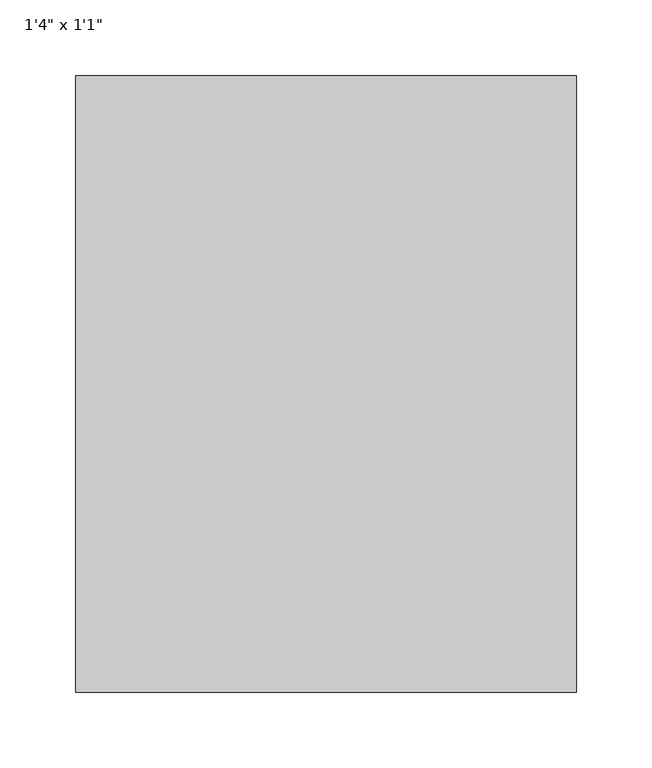
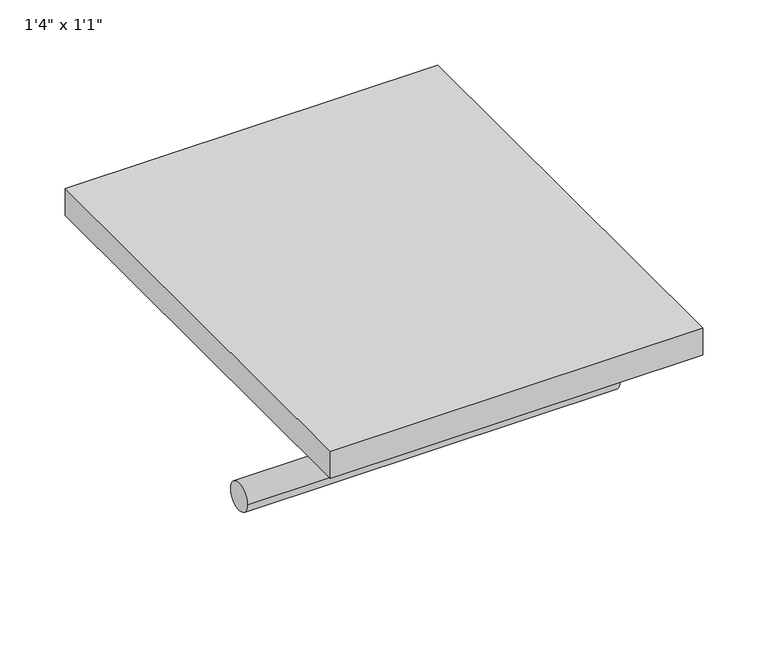
"""IFC4 building model written with IfcOpenShell, lengths in millimetres: furniture geometry."""

from ifc_helpers import new_model, si_unit, point, frame, frame_2d, origin, origin_with_axes, place, context, project, spatial, polyline, circle_curve, trimmed, segment, composite_curve, outline, extrude, source, transform, mapped, element, save


def furniture_8467ecdf(model_context):
    return source(origin(), model_context, "Body", "SweptSolid", [
        extrude(outline(composite_curve([segment(trimmed(circle_curve(frame_2d((342.9, -101.6)), 12.7), [point((330.2, -101.6))], [point((355.6, -101.6))], False, "CARTESIAN"), True, "CONTINUOUS"), segment(trimmed(circle_curve(frame_2d((342.9, -101.6)), 12.7), [point((355.6, -101.6))], [point((330.2, -101.6))], False, "CARTESIAN"), True, "CONTINUOUS")], self_intersect=False)), frame((-146.3622951, 0.0, 0.0), z_axis=(1.0, 0.0, 0.0), x_axis=(0.0, 1.0, 0.0)), (0.0, 0.0, 1.0), 330.2),
        extrude(outline(polyline([(183.8377049, 203.2), (-146.3622951, 203.2), (-146.3622951, 609.6), (183.8377049, 609.6), (183.8377049, 203.2)])), origin_with_axes(), (0.0, 0.0, 1.0), 25.4),
    ])


if __name__ == "__main__":
    model = new_model("IFC4")
    model_context = context("Model", 3, world=origin())
    ifc_project = project(units=[si_unit("LENGTHUNIT", "METRE", prefix="MILLI")], contexts=[model_context])
    site = spatial("IfcSite", under=ifc_project)
    building = spatial("IfcBuilding", under=site)
    placement = place(None, origin())
    furniture_shape = furniture_8467ecdf(model_context)
    element("IfcFurniture", 1, ObjectType="1'4\" x 1'1\"", at=placement, inside=building, context=model_context, shape_type="MappedRepresentation", body=[
        mapped(furniture_shape, transform((0.0, 0.0, 0.0), x_axis=(1.0, 0.0, 0.0), y_axis=(0.0, 1.0, 0.0), z_axis=(0.0, 0.0, 1.0))),
    ])
    save(model, "model.ifc")
